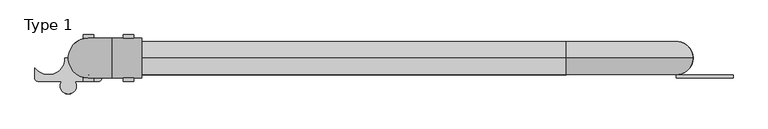
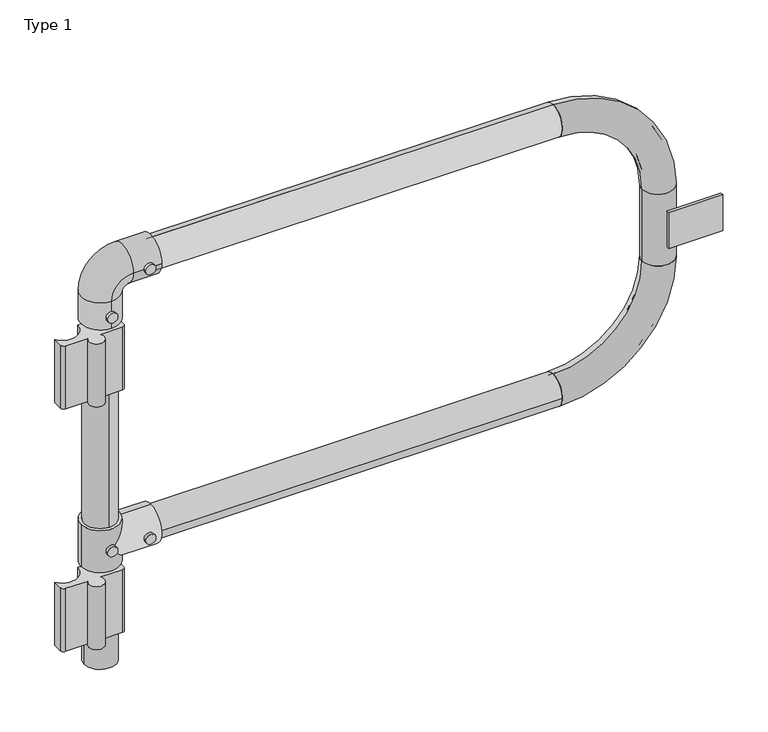
"""IFC4 building model written with IfcOpenShell, lengths in millimetres: proxy geometry, Type 1."""

from ifc_helpers import new_model, si_unit, point, frame, frame_2d, origin, origin_2d, place, context, project, spatial, polyline, circle_curve, ellipse_curve, trimmed, segment, composite_curve, outline, extrude, source, transform, mapped, element, save
from ifc_brep_helpers import plane_surface, cylinder_surface, revolved_surface, advanced_brep


def type_1_06d0548a(model_context):
    return source(origin(), model_context, "Body", "SolidModel", [
        extrude(outline(composite_curve([segment(trimmed(circle_curve(frame_2d((575.0, 0.0)), 8.0), [point((575.0, -8.0))], [point((575.0, 8.0))], False, "CARTESIAN"), True, "CONTINUOUS"), segment(trimmed(circle_curve(frame_2d((575.0, 0.0)), 8.0), [point((575.0, 8.0))], [point((575.0, -8.0))], False, "CARTESIAN"), True, "CONTINUOUS")], self_intersect=False)), frame((0.0, -35.0, 0.0), z_axis=(0.0, 1.0, 0.0), x_axis=(0.0, 0.0, 1.0)), (0.0, 0.0, 1.0), 5.0),
        extrude(outline(composite_curve([segment(trimmed(circle_curve(frame_2d((575.0, 60.0)), 8.0), [point((575.0, 52.0))], [point((575.0, 68.0))], False, "CARTESIAN"), True, "CONTINUOUS"), segment(trimmed(circle_curve(frame_2d((575.0, 60.0)), 8.0), [point((575.0, 68.0))], [point((575.0, 52.0))], False, "CARTESIAN"), True, "CONTINUOUS")], self_intersect=False)), frame((0.0, -35.0, 0.0), z_axis=(0.0, 1.0, 0.0), x_axis=(0.0, 0.0, 1.0)), (0.0, 0.0, 1.0), 5.0),
        extrude(outline(composite_curve([segment(trimmed(circle_curve(frame_2d((575.0, 0.0)), 8.0), [point((575.0, -8.0))], [point((575.0, 8.0))], False, "CARTESIAN"), True, "CONTINUOUS"), segment(trimmed(circle_curve(frame_2d((575.0, 0.0)), 8.0), [point((575.0, 8.0))], [point((575.0, -8.0))], False, "CARTESIAN"), True, "CONTINUOUS")], self_intersect=False)), frame((0.0, 30.0, 0.0), z_axis=(0.0, 1.0, 0.0), x_axis=(0.0, 0.0, 1.0)), (0.0, 0.0, 1.0), 5.0),
        extrude(outline(composite_curve([segment(trimmed(circle_curve(frame_2d((575.0, 60.0)), 8.0), [point((575.0, 52.0))], [point((575.0, 68.0))], False, "CARTESIAN"), True, "CONTINUOUS"), segment(trimmed(circle_curve(frame_2d((575.0, 60.0)), 8.0), [point((575.0, 68.0))], [point((575.0, 52.0))], False, "CARTESIAN"), True, "CONTINUOUS")], self_intersect=False)), frame((0.0, 30.0, 0.0), z_axis=(0.0, 1.0, 0.0), x_axis=(0.0, 0.0, 1.0)), (0.0, 0.0, 1.0), 5.0),
        advanced_brep(
        [(-30.0, 0.0, 610.0), (30.0, 0.0, 610.0), (0.0, 25.0, 610.0), (0.0, -25.0, 610.0), (-30.0, 0.0, 540.0), (30.0, 0.0, 540.0), (0.0, -25.0, 540.0), (0.0, 25.0, 540.0), (30.0, 0.0, 605.0), (0.0, 30.0, 575.0), (30.0, 0.0, 545.0), (0.0, -30.0, 575.0), (80.0, 0.0, 545.0), (80.0, 0.0, 605.0), (80.0, 0.0, 600.0), (80.0, 0.0, 550.0), (25.0, 0.0, 550.0), (0.0, -25.0, 575.0), (25.0, 0.0, 600.0), (0.0, 25.0, 575.0)],
        [
            (0, 1, circle_curve(frame((0.0, 0.0, 610.0), z_axis=(0.0, 0.0, 1.0), x_axis=(1.0, 0.0, 0.0)), 30.0)),
            (1, 0, circle_curve(frame((0.0, 0.0, 610.0), z_axis=(0.0, 0.0, 1.0), x_axis=(1.0, 0.0, 0.0)), 30.0)),
            (2, 3, circle_curve(frame((0.0, 0.0, 610.0), z_axis=(0.0, 0.0, -1.0), x_axis=(0.0, -1.0, 0.0)), 25.0)),
            (3, 2, circle_curve(frame((0.0, 0.0, 610.0), z_axis=(0.0, 0.0, -1.0), x_axis=(0.0, -1.0, 0.0)), 25.0)),
            (4, 5, circle_curve(frame((0.0, 0.0, 540.0), z_axis=(0.0, 0.0, -1.0), x_axis=(1.0, 0.0, 0.0)), 30.0)),
            (5, 4, circle_curve(frame((0.0, 0.0, 540.0), z_axis=(0.0, 0.0, -1.0), x_axis=(1.0, 0.0, 0.0)), 30.0)),
            (6, 7, circle_curve(frame((0.0, 0.0, 540.0), z_axis=(0.0, 0.0, 1.0), x_axis=(0.0, -1.0, 0.0)), 25.0)),
            (7, 6, circle_curve(frame((0.0, 0.0, 540.0), z_axis=(0.0, 0.0, 1.0), x_axis=(0.0, -1.0, 0.0)), 25.0)),
            (1, 8),
            (8, 9, ellipse_curve(frame((0.0, 0.0, 575.0), z_axis=(-0.7071067811865447, 0.0, 0.7071067811865503), x_axis=(0.7071067811865503, 0.0, 0.7071067811865447)), 42.4264069, 30.0)),
            (9, 10, ellipse_curve(frame((0.0, 0.0, 575.0), z_axis=(-0.7071067811865503, 0.0, -0.7071067811865447), x_axis=(-0.7071067811865447, 0.0, 0.7071067811865503)), 42.4264069, 30.0)),
            (10, 5),
            (4, 0),
            (10, 11, ellipse_curve(frame((0.0, 0.0, 575.0), z_axis=(-0.7071067811865503, 0.0, -0.7071067811865447), x_axis=(-0.7071067811865447, 0.0, 0.7071067811865503)), 42.4264069, 30.0)),
            (11, 8, ellipse_curve(frame((0.0, 0.0, 575.0), z_axis=(-0.7071067811865447, 0.0, 0.7071067811865503), x_axis=(0.7071067811865503, 0.0, 0.7071067811865447)), 42.4264069, 30.0)),
            (12, 13, circle_curve(frame((80.0, 0.0, 575.0), z_axis=(1.0, 0.0, 0.0), x_axis=(0.0, 0.0, 1.0)), 30.0)),
            (13, 12, circle_curve(frame((80.0, 0.0, 575.0), z_axis=(1.0, 0.0, 0.0), x_axis=(0.0, 0.0, 1.0)), 30.0)),
            (14, 15, circle_curve(frame((80.0, 0.0, 575.0), z_axis=(-1.0, 0.0, 0.0), x_axis=(0.0, 0.0, -1.0)), 25.0)),
            (15, 14, circle_curve(frame((80.0, 0.0, 575.0), z_axis=(-1.0, 0.0, 0.0), x_axis=(0.0, 0.0, -1.0)), 25.0)),
            (13, 8),
            (10, 12),
            (15, 16),
            (16, 17, ellipse_curve(frame((0.0, 0.0, 575.0), z_axis=(-0.7071067811865503, 0.0, -0.7071067811865447), x_axis=(-0.7071067811865447, 0.0, 0.7071067811865503)), 35.3553391, 25.0)),
            (17, 18, ellipse_curve(frame((0.0, 0.0, 575.0), z_axis=(-0.7071067811865447, 0.0, 0.7071067811865503), x_axis=(-0.7071067811865503, 0.0, -0.7071067811865447)), 35.3553391, 25.0)),
            (18, 14),
            (18, 19, ellipse_curve(frame((0.0, 0.0, 575.0), z_axis=(-0.7071067811865447, 0.0, 0.7071067811865503), x_axis=(-0.7071067811865503, 0.0, -0.7071067811865447)), 35.3553391, 25.0)),
            (19, 16, ellipse_curve(frame((0.0, 0.0, 575.0), z_axis=(-0.7071067811865503, 0.0, -0.7071067811865447), x_axis=(-0.7071067811865447, 0.0, 0.7071067811865503)), 35.3553391, 25.0)),
            (3, 17),
            (17, 6),
            (7, 19),
            (19, 2),
        ],
        [
            plane_surface(frame((30.0, 0.0, 610.0), z_axis=(0.0, 0.0, 1.0), x_axis=(0.0, -1.0, 0.0))),
            plane_surface(frame((30.0, 0.0, 540.0), z_axis=(0.0, 0.0, -1.0), x_axis=(0.0, 1.0, 0.0))),
            cylinder_surface(frame((0.0, 0.0, 540.0), z_axis=(0.0, 0.0, 1.0), x_axis=(1.0, 0.0, 0.0)), 30.0),
            plane_surface(frame((80.0, 0.0, 605.0), z_axis=(1.0, 0.0, 0.0), x_axis=(0.0, 1.0, 0.0))),
            cylinder_surface(frame((0.0, 0.0, 575.0), z_axis=(1.0, 0.0, 0.0), x_axis=(0.0, 0.0, 1.0)), 30.0),
            revolved_surface(polyline([(-25.000000028759985, 0.0, 550.0), (80.0, 0.0, 550.0)]), (80.0, 0.0, 575.0), (-1.0, 0.0, 0.0)),
            revolved_surface(polyline([(0.0, -25.0, 540.0), (0.0, -25.0, 610.0)]), (0.0, 0.0, 610.0), (0.0, 0.0, -1.0)),
            revolved_surface(polyline([(0.0, -25.0, 540.0), (0.0, -25.0, 600.00000002876)]), (0.0, 0.0, 610.0), (0.0, 0.0, -1.0)),
            revolved_surface(polyline([(0.0, -25.0, 549.9999999712402), (0.0, -25.0, 610.0)]), (0.0, 0.0, 610.0), (0.0, 0.0, -1.0)),
        ],
        [
            (0, [[1, 2], [3, 4]]),
            (1, [[5, 6], [7, 8]]),
            (2, [[9, 10, 11, 12, -5, 13, -2]]),
            (2, [[-13, -6, -12, 14, 15, -9, -1]]),
            (3, [[16, 17], [18, 19]]),
            (4, [[20, -15, -14, 21, -17]]),
            (4, [[-21, -11, -10, -20, -16]]),
            (5, [[22, 23, 24, 25, -19]]),
            (5, [[-25, 26, 27, -22, -18]]),
            (6, [[-4, 28, 29, -8, 30, 31]]),
            (7, [[-7, -29, -23, -27, -30]]),
            (8, [[-26, -24, -28, -3, -31]]),
        ],
    ),
        extrude(outline(composite_curve([segment(trimmed(circle_curve(frame_2d((1025.0, 60.0)), 8.0), [point((1025.0, 52.0))], [point((1025.0, 68.0))], False, "CARTESIAN"), True, "CONTINUOUS"), segment(trimmed(circle_curve(frame_2d((1025.0, 60.0)), 8.0), [point((1025.0, 68.0))], [point((1025.0, 52.0))], False, "CARTESIAN"), True, "CONTINUOUS")], self_intersect=False)), frame((0.0, 30.0, 0.0), z_axis=(0.0, 1.0, 0.0), x_axis=(0.0, 0.0, 1.0)), (0.0, 0.0, 1.0), 5.0),
        extrude(outline(composite_curve([segment(trimmed(circle_curve(frame_2d((965.0, 0.0)), 8.0), [point((965.0, -8.0))], [point((965.0, 8.0))], False, "CARTESIAN"), True, "CONTINUOUS"), segment(trimmed(circle_curve(frame_2d((965.0, 0.0)), 8.0), [point((965.0, 8.0))], [point((965.0, -8.0))], False, "CARTESIAN"), True, "CONTINUOUS")], self_intersect=False)), frame((0.0, 30.0, 0.0), z_axis=(0.0, 1.0, 0.0), x_axis=(0.0, 0.0, 1.0)), (0.0, 0.0, 1.0), 5.0),
        extrude(outline(composite_curve([segment(trimmed(circle_curve(frame_2d((1025.0, 60.0)), 8.0), [point((1025.0, 52.0))], [point((1025.0, 68.0))], False, "CARTESIAN"), True, "CONTINUOUS"), segment(trimmed(circle_curve(frame_2d((1025.0, 60.0)), 8.0), [point((1025.0, 68.0))], [point((1025.0, 52.0))], False, "CARTESIAN"), True, "CONTINUOUS")], self_intersect=False)), frame((0.0, -35.0, 0.0), z_axis=(0.0, 1.0, 0.0), x_axis=(0.0, 0.0, 1.0)), (0.0, 0.0, 1.0), 5.0),
        extrude(outline(composite_curve([segment(trimmed(circle_curve(frame_2d((965.0, 0.0)), 8.0), [point((965.0, -8.0))], [point((965.0, 8.0))], False, "CARTESIAN"), True, "CONTINUOUS"), segment(trimmed(circle_curve(frame_2d((965.0, 0.0)), 8.0), [point((965.0, 8.0))], [point((965.0, -8.0))], False, "CARTESIAN"), True, "CONTINUOUS")], self_intersect=False)), frame((0.0, -35.0, 0.0), z_axis=(0.0, 1.0, 0.0), x_axis=(0.0, 0.0, 1.0)), (0.0, 0.0, 1.0), 5.0),
        advanced_brep(
        [(0.0, -30.0, 945.0), (0.0, 30.0, 945.0), (0.0, -25.0, 945.0), (0.0, 25.0, 945.0), (0.0, -30.0, 990.0), (0.0, 30.0, 990.0), (35.0, 30.0, 1025.0), (35.0, -30.0, 1025.0), (80.0, -30.0, 1025.0), (80.0, 30.0, 1025.0), (80.0, -25.0, 1025.0), (80.0, 25.0, 1025.0), (0.0, -25.0, 990.0), (0.0, 25.0, 990.0), (35.0, 25.0, 1025.0), (35.0, -25.0, 1025.0)],
        [
            (0, 1, circle_curve(frame((0.0, 0.0, 945.0), z_axis=(0.0, 0.0, -1.0), x_axis=(0.0, 1.0, 0.0)), 30.0)),
            (1, 0, circle_curve(frame((0.0, 0.0, 945.0), z_axis=(0.0, 0.0, -1.0), x_axis=(0.0, 1.0, 0.0)), 30.0)),
            (2, 3, circle_curve(frame((0.0, 0.0, 945.0), z_axis=(0.0, 0.0, 1.0), x_axis=(0.0, 1.0, 0.0)), 25.0)),
            (3, 2, circle_curve(frame((0.0, 0.0, 945.0), z_axis=(0.0, 0.0, 1.0), x_axis=(0.0, 1.0, 0.0)), 25.0)),
            (0, 4),
            (4, 5, circle_curve(frame((0.0, 0.0, 990.0), z_axis=(0.0, 0.0, -1.0), x_axis=(0.0, 1.0, 0.0)), 30.0)),
            (5, 1),
            (5, 4, circle_curve(frame((0.0, 0.0, 990.0), z_axis=(0.0, 0.0, -1.0), x_axis=(0.0, 1.0, 0.0)), 30.0)),
            (6, 5, circle_curve(frame((35.0, 30.0, 990.0), z_axis=(0.0, -1.0, 0.0), x_axis=(-1.0, 0.0, 0.0)), 35.0)),
            (4, 7, circle_curve(frame((35.0, -30.0, 990.0), z_axis=(0.0, 1.0, 0.0), x_axis=(-1.0, 0.0, 0.0)), 35.0)),
            (7, 6, circle_curve(frame((35.0, 0.0, 1025.0), z_axis=(-1.0, 0.0, 0.0), x_axis=(0.0, 1.0, 0.0)), 30.0)),
            (6, 7, circle_curve(frame((35.0, 0.0, 1025.0), z_axis=(-1.0, 0.0, 0.0), x_axis=(0.0, 1.0, 0.0)), 30.0)),
            (8, 9, circle_curve(frame((80.0, 0.0, 1025.0), z_axis=(1.0, 0.0, 0.0), x_axis=(0.0, 1.0, 0.0)), 30.0)),
            (9, 8, circle_curve(frame((80.0, 0.0, 1025.0), z_axis=(1.0, 0.0, 0.0), x_axis=(0.0, 1.0, 0.0)), 30.0)),
            (10, 11, circle_curve(frame((80.0, 0.0, 1025.0), z_axis=(-1.0, 0.0, 0.0), x_axis=(0.0, 1.0, 0.0)), 25.0)),
            (11, 10, circle_curve(frame((80.0, 0.0, 1025.0), z_axis=(-1.0, 0.0, 0.0), x_axis=(0.0, 1.0, 0.0)), 25.0)),
            (7, 8),
            (9, 6),
            (2, 12),
            (12, 13, circle_curve(frame((0.0, 0.0, 990.0), z_axis=(0.0, 0.0, 1.0), x_axis=(0.0, 1.0, 0.0)), 25.0)),
            (13, 3),
            (13, 12, circle_curve(frame((0.0, 0.0, 990.0), z_axis=(0.0, 0.0, 1.0), x_axis=(0.0, 1.0, 0.0)), 25.0)),
            (14, 13, circle_curve(frame((35.0, 25.0, 990.0), z_axis=(0.0, -1.0, 0.0), x_axis=(-1.0, 0.0, 0.0)), 35.0)),
            (12, 15, circle_curve(frame((35.0, -25.0, 990.0), z_axis=(0.0, 1.0, 0.0), x_axis=(-1.0, 0.0, 0.0)), 35.0)),
            (15, 14, circle_curve(frame((35.0, 0.0, 1025.0), z_axis=(1.0, 0.0, 0.0), x_axis=(0.0, 1.0, 0.0)), 25.0)),
            (14, 15, circle_curve(frame((35.0, 0.0, 1025.0), z_axis=(1.0, 0.0, 0.0), x_axis=(0.0, 1.0, 0.0)), 25.0)),
            (15, 10),
            (11, 14),
        ],
        [
            plane_surface(frame((30.0, 0.0, 945.0), z_axis=(0.0, 0.0, -1.0), x_axis=(0.0, -1.0, 0.0))),
            cylinder_surface(frame((0.0, 0.0, 945.0), z_axis=(0.0, 0.0, -1.0), x_axis=(0.0, 1.0, 0.0)), 30.0),
            revolved_surface(trimmed(ellipse_curve(frame((0.0, 0.0, 990.0), z_axis=(0.0, 0.0, -1.0), x_axis=(0.0, 1.0, 0.0)), 30.0, 30.0), [point((0.0, -30.0, 990.0))], [point((0.0, 30.0, 990.0))], True, "CARTESIAN"), (35.0, 0.0, 990.0), (0.0, 1.0, 0.0)),
            revolved_surface(trimmed(ellipse_curve(frame((0.0, 0.0, 990.0), z_axis=(0.0, 0.0, -1.0), x_axis=(0.0, 1.0, 0.0)), 30.0, 30.0), [point((0.0, 30.0, 990.0))], [point((0.0, -30.0, 990.0))], True, "CARTESIAN"), (35.0, 0.0, 990.0), (0.0, 1.0, 0.0)),
            plane_surface(frame((80.0, 0.0, 995.0), z_axis=(1.0, 0.0, 0.0), x_axis=(0.0, -1.0, 0.0))),
            cylinder_surface(frame((35.0, 0.0, 1025.0), z_axis=(-1.0, 0.0, 0.0), x_axis=(0.0, 1.0, 0.0)), 30.0),
            revolved_surface(polyline([(0.0, 25.0, 990.0), (0.0, 25.0, 945.0)]), (0.0, 0.0, 945.0), (0.0, 0.0, 1.0)),
            revolved_surface(trimmed(ellipse_curve(frame((0.0, 0.0, 990.0), z_axis=(0.0, 0.0, 1.0), x_axis=(0.0, 1.0, 0.0)), 25.0, 25.0), [point((0.0, -25.0, 990.0))], [point((0.0, 25.0, 990.0))], True, "CARTESIAN"), (35.0, 0.0, 990.0), (0.0, 1.0, 0.0)),
            revolved_surface(trimmed(ellipse_curve(frame((0.0, 0.0, 990.0), z_axis=(0.0, 0.0, 1.0), x_axis=(0.0, 1.0, 0.0)), 25.0, 25.0), [point((0.0, 25.0, 990.0))], [point((0.0, -25.0, 990.0))], True, "CARTESIAN"), (35.0, 0.0, 990.0), (0.0, 1.0, 0.0)),
            revolved_surface(polyline([(80.0, 25.0, 1025.0), (35.0, 25.0, 1025.0)]), (35.0, 0.0, 1025.0), (1.0, 0.0, 0.0)),
        ],
        [
            (0, [[1, 2], [3, 4]]),
            (1, [[-1, 5, 6, 7]]),
            (1, [[-2, -7, 8, -5]]),
            (2, [[9, -6, 10, 11]]),
            (3, [[-10, -8, -9, 12]]),
            (4, [[13, 14], [15, 16]]),
            (5, [[-11, 17, -14, 18]]),
            (5, [[-12, -18, -13, -17]]),
            (6, [[-3, 19, 20, 21]]),
            (6, [[-4, -21, 22, -19]]),
            (7, [[23, -20, 24, 25]]),
            (8, [[-24, -22, -23, 26]]),
            (9, [[-25, 27, -16, 28]]),
            (9, [[-26, -28, -15, -27]]),
        ],
    ),
        extrude(outline(composite_curve([segment(polyline([(20.0, -15.0), (20.0, -30.0)]), True, "CONTINUOUS"), segment(trimmed(circle_curve(frame_2d((15.0, -30.0)), 5.0), [point((20.0, -30.0))], [point((15.0, -35.0))], False, "CARTESIAN"), True, "CONTINUOUS"), segment(polyline([(15.0, -35.0), (-20.2532057, -35.0)]), True, "CONTINUOUS"), segment(trimmed(circle_curve(frame_2d((-30.0, -42.0)), 12.0), [point((-20.2532057, -35.0))], [point((-39.7467943, -35.0))], False, "CARTESIAN"), True, "CONTINUOUS"), segment(polyline([(-39.7467943, -35.0), (-75.0, -35.0)]), True, "CONTINUOUS"), segment(trimmed(circle_curve(frame_2d((-75.0, -30.0)), 5.0), [point((-75.0, -35.0))], [point((-80.0, -30.0))], False, "CARTESIAN"), True, "CONTINUOUS"), segment(polyline([(-80.0, -30.0), (-80.0, -15.0)]), True, "CONTINUOUS"), segment(trimmed(circle_curve(frame_2d((-60.0, 0.0)), 25.0), [point((-80.0, -15.0))], [point((-35.0, 0.0))], True, "CARTESIAN"), True, "CONTINUOUS"), segment(polyline([(-35.0, 0.0), (-25.0, 0.0)]), True, "CONTINUOUS"), segment(trimmed(circle_curve(origin_2d(), 25.0), [point((-25.0, 0.0))], [point((0.0, -25.0))], True, "CARTESIAN"), True, "CONTINUOUS"), segment(trimmed(circle_curve(origin_2d(), 25.0), [point((0.0, -25.0))], [point((20.0, -15.0))], True, "CARTESIAN"), True, "CONTINUOUS")], self_intersect=False)), frame((0.0, 0.0, 840.0), z_axis=(0.0, 0.0, 1.0), x_axis=(1.0, 0.0, 0.0)), (0.0, 0.0, 1.0), 105.0),
        extrude(outline(composite_curve([segment(trimmed(circle_curve(origin_2d(), 25.0), [point((0.0, -25.0))], [point((20.0, -15.0))], True, "CARTESIAN"), True, "CONTINUOUS"), segment(polyline([(20.0, -15.0), (20.0, -30.0)]), True, "CONTINUOUS"), segment(trimmed(circle_curve(frame_2d((15.0, -30.0)), 5.0), [point((20.0, -30.0))], [point((15.0, -35.0))], False, "CARTESIAN"), True, "CONTINUOUS"), segment(polyline([(15.0, -35.0), (-20.2532057, -35.0)]), True, "CONTINUOUS"), segment(trimmed(circle_curve(frame_2d((-30.0, -42.0)), 12.0), [point((-20.2532057, -35.0))], [point((-39.7467943, -35.0))], False, "CARTESIAN"), True, "CONTINUOUS"), segment(polyline([(-39.7467943, -35.0), (-75.0, -35.0)]), True, "CONTINUOUS"), segment(trimmed(circle_curve(frame_2d((-75.0, -30.0)), 5.0), [point((-75.0, -35.0))], [point((-80.0, -30.0))], False, "CARTESIAN"), True, "CONTINUOUS"), segment(polyline([(-80.0, -30.0), (-80.0, -15.0)]), True, "CONTINUOUS"), segment(trimmed(circle_curve(frame_2d((-60.0, 0.0)), 25.0), [point((-80.0, -15.0))], [point((-35.0, 0.0))], True, "CARTESIAN"), True, "CONTINUOUS"), segment(polyline([(-35.0, 0.0), (-25.0, 0.0)]), True, "CONTINUOUS"), segment(trimmed(circle_curve(origin_2d(), 25.0), [point((-25.0, 0.0))], [point((0.0, -25.0))], True, "CARTESIAN"), True, "CONTINUOUS")], self_intersect=False)), frame((0.0, 0.0, 435.0), z_axis=(0.0, 0.0, 1.0), x_axis=(1.0, 0.0, 0.0)), (0.0, 0.0, 1.0), 105.0),
        extrude(outline(polyline([(965.0, -25.0), (965.0, -30.0), (880.0, -30.0), (880.0, -25.0), (965.0, -25.0)])), frame((0.0, 0.0, 770.0), z_axis=(0.0, 0.0, 1.0), x_axis=(1.0, 0.0, 0.0)), (0.0, 0.0, 1.0), 60.0),
        advanced_brep(
        [(715.0, 0.0, 550.0), (715.0, 0.0, 600.0), (715.0, 0.0, 555.0), (715.0, 0.0, 595.0), (905.0, 0.0, 740.0), (855.0, 0.0, 740.0), (900.0, 0.0, 740.0), (860.0, 0.0, 740.0)],
        [
            (0, 1, circle_curve(frame((715.0, 0.0, 575.0), z_axis=(-1.0, 0.0, 0.0), x_axis=(0.0, 0.0, 1.0)), 25.0)),
            (1, 0, circle_curve(frame((715.0, 0.0, 575.0), z_axis=(-1.0, 0.0, 0.0), x_axis=(0.0, 0.0, 1.0)), 25.0)),
            (2, 3, circle_curve(frame((715.0, 0.0, 575.0), z_axis=(1.0, 0.0, 0.0), x_axis=(0.0, 0.0, 1.0)), 20.0)),
            (3, 2, circle_curve(frame((715.0, 0.0, 575.0), z_axis=(1.0, 0.0, 0.0), x_axis=(0.0, 0.0, 1.0)), 20.0)),
            (4, 5, circle_curve(frame((880.0, 0.0, 740.0), z_axis=(0.0, 0.0, 1.0), x_axis=(-1.0, 0.0, 0.0)), 25.0)),
            (5, 4, circle_curve(frame((880.0, 0.0, 740.0), z_axis=(0.0, 0.0, 1.0), x_axis=(-1.0, 0.0, 0.0)), 25.0)),
            (6, 7, circle_curve(frame((880.0, 0.0, 740.0), z_axis=(0.0, 0.0, -1.0), x_axis=(-1.0, 0.0, 0.0)), 20.0)),
            (7, 6, circle_curve(frame((880.0, 0.0, 740.0), z_axis=(0.0, 0.0, -1.0), x_axis=(-1.0, 0.0, 0.0)), 20.0)),
            (5, 1, circle_curve(frame((715.0, 0.0, 740.0), z_axis=(0.0, 1.0, 0.0), x_axis=(0.0, 0.0, -1.0)), 140.0)),
            (0, 4, circle_curve(frame((715.0, 0.0, 740.0), z_axis=(0.0, -1.0, 0.0), x_axis=(0.0, 0.0, -1.0)), 190.0)),
            (7, 3, circle_curve(frame((715.0, 0.0, 740.0), z_axis=(0.0, 1.0, 0.0), x_axis=(0.0, 0.0, -1.0)), 145.0)),
            (2, 6, circle_curve(frame((715.0, 0.0, 740.0), z_axis=(0.0, -1.0, 0.0), x_axis=(0.0, 0.0, -1.0)), 185.0)),
        ],
        [
            plane_surface(frame((715.0, 0.0, 575.0), z_axis=(-1.0, 0.0, 0.0), x_axis=(0.0, -1.0, 0.0))),
            plane_surface(frame((880.0, 0.0, 740.0), z_axis=(0.0, 0.0, 1.0), x_axis=(0.0, -1.0, 0.0))),
            revolved_surface(trimmed(ellipse_curve(frame((715.0, 0.0, 575.0), z_axis=(-1.0, 0.0, 0.0), x_axis=(0.0, 0.0, 1.0)), 25.0, 25.0), [point((715.0, 0.0, 550.0))], [point((715.0, 0.0, 600.0))], True, "CARTESIAN"), (715.0, 0.0, 740.0), (0.0, -1.0, 0.0)),
            revolved_surface(trimmed(ellipse_curve(frame((715.0, 0.0, 575.0), z_axis=(-1.0, 0.0, 0.0), x_axis=(0.0, 0.0, 1.0)), 25.0, 25.0), [point((715.0, 0.0, 600.0))], [point((715.0, 0.0, 550.0))], True, "CARTESIAN"), (715.0, 0.0, 740.0), (0.0, -1.0, 0.0)),
            revolved_surface(trimmed(ellipse_curve(frame((715.0, 0.0, 575.0), z_axis=(1.0, 0.0, 0.0), x_axis=(0.0, 0.0, 1.0)), 20.0, 20.0), [point((715.0, 0.0, 555.0))], [point((715.0, 0.0, 595.0))], True, "CARTESIAN"), (715.0, 0.0, 740.0), (0.0, -1.0, 0.0)),
            revolved_surface(trimmed(ellipse_curve(frame((715.0, 0.0, 575.0), z_axis=(1.0, 0.0, 0.0), x_axis=(0.0, 0.0, 1.0)), 20.0, 20.0), [point((715.0, 0.0, 595.0))], [point((715.0, 0.0, 555.0))], True, "CARTESIAN"), (715.0, 0.0, 740.0), (0.0, -1.0, 0.0)),
        ],
        [
            (0, [[1, 2], [3, 4]]),
            (1, [[5, 6], [7, 8]]),
            (2, [[9, -1, 10, -6]]),
            (3, [[-10, -2, -9, -5]]),
            (4, [[11, -3, 12, -8]]),
            (5, [[-12, -4, -11, -7]]),
        ],
    ),
        advanced_brep(
        [(715.0, 0.0, 1000.0), (715.0, 0.0, 1050.0), (715.0, 0.0, 1005.0), (715.0, 0.0, 1045.0), (855.0, 0.0, 860.0), (905.0, 0.0, 860.0), (860.0, 0.0, 860.0), (900.0, 0.0, 860.0)],
        [
            (0, 1, circle_curve(frame((715.0, 0.0, 1025.0), z_axis=(-1.0, 0.0, 0.0), x_axis=(0.0, 0.0, 1.0)), 25.0)),
            (1, 0, circle_curve(frame((715.0, 0.0, 1025.0), z_axis=(-1.0, 0.0, 0.0), x_axis=(0.0, 0.0, 1.0)), 25.0)),
            (2, 3, circle_curve(frame((715.0, 0.0, 1025.0), z_axis=(1.0, 0.0, 0.0), x_axis=(0.0, 0.0, 1.0)), 20.0)),
            (3, 2, circle_curve(frame((715.0, 0.0, 1025.0), z_axis=(1.0, 0.0, 0.0), x_axis=(0.0, 0.0, 1.0)), 20.0)),
            (4, 5, circle_curve(frame((880.0, 0.0, 860.0), z_axis=(0.0, 0.0, -1.0), x_axis=(1.0, 0.0, 0.0)), 25.0)),
            (5, 4, circle_curve(frame((880.0, 0.0, 860.0), z_axis=(0.0, 0.0, -1.0), x_axis=(1.0, 0.0, 0.0)), 25.0)),
            (6, 7, circle_curve(frame((880.0, 0.0, 860.0), z_axis=(0.0, 0.0, 1.0), x_axis=(1.0, 0.0, 0.0)), 20.0)),
            (7, 6, circle_curve(frame((880.0, 0.0, 860.0), z_axis=(0.0, 0.0, 1.0), x_axis=(1.0, 0.0, 0.0)), 20.0)),
            (5, 1, circle_curve(frame((715.0, 0.0, 860.0), z_axis=(0.0, -1.0, 0.0), x_axis=(0.0, 0.0, 1.0)), 190.0)),
            (0, 4, circle_curve(frame((715.0, 0.0, 860.0), z_axis=(0.0, 1.0, 0.0), x_axis=(0.0, 0.0, 1.0)), 140.0)),
            (7, 3, circle_curve(frame((715.0, 0.0, 860.0), z_axis=(0.0, -1.0, 0.0), x_axis=(0.0, 0.0, 1.0)), 185.0)),
            (2, 6, circle_curve(frame((715.0, 0.0, 860.0), z_axis=(0.0, 1.0, 0.0), x_axis=(0.0, 0.0, 1.0)), 145.0)),
        ],
        [
            plane_surface(frame((715.0, 0.0, 1025.0), z_axis=(-1.0, 0.0, 0.0), x_axis=(0.0, -1.0, 0.0))),
            plane_surface(frame((880.0, 0.0, 860.0), z_axis=(0.0, 0.0, -1.0), x_axis=(0.0, -1.0, 0.0))),
            revolved_surface(trimmed(ellipse_curve(frame((715.0, 0.0, 1025.0), z_axis=(-1.0, 0.0, 0.0), x_axis=(0.0, 0.0, 1.0)), 25.0, 25.0), [point((715.0, 0.0, 1000.0))], [point((715.0, 0.0, 1050.0))], True, "CARTESIAN"), (715.0, 0.0, 860.0), (0.0, 1.0, 0.0)),
            revolved_surface(trimmed(ellipse_curve(frame((715.0, 0.0, 1025.0), z_axis=(-1.0, 0.0, 0.0), x_axis=(0.0, 0.0, 1.0)), 25.0, 25.0), [point((715.0, 0.0, 1050.0))], [point((715.0, 0.0, 1000.0))], True, "CARTESIAN"), (715.0, 0.0, 860.0), (0.0, 1.0, 0.0)),
            revolved_surface(trimmed(ellipse_curve(frame((715.0, 0.0, 1025.0), z_axis=(1.0, 0.0, 0.0), x_axis=(0.0, 0.0, 1.0)), 20.0, 20.0), [point((715.0, 0.0, 1005.0))], [point((715.0, 0.0, 1045.0))], True, "CARTESIAN"), (715.0, 0.0, 860.0), (0.0, 1.0, 0.0)),
            revolved_surface(trimmed(ellipse_curve(frame((715.0, 0.0, 1025.0), z_axis=(1.0, 0.0, 0.0), x_axis=(0.0, 0.0, 1.0)), 20.0, 20.0), [point((715.0, 0.0, 1045.0))], [point((715.0, 0.0, 1005.0))], True, "CARTESIAN"), (715.0, 0.0, 860.0), (0.0, 1.0, 0.0)),
        ],
        [
            (0, [[1, 2], [3, 4]]),
            (1, [[5, 6], [7, 8]]),
            (2, [[9, -1, 10, -6]]),
            (3, [[-10, -2, -9, -5]]),
            (4, [[11, -3, 12, -8]]),
            (5, [[-12, -4, -11, -7]]),
        ],
    ),
        extrude(outline(composite_curve([segment(trimmed(circle_curve(frame_2d((880.0, 0.0)), 25.0), [point((905.0, 0.0))], [point((855.0, 0.0))], False, "CARTESIAN"), True, "CONTINUOUS"), segment(trimmed(circle_curve(frame_2d((880.0, 0.0)), 25.0), [point((855.0, 0.0))], [point((905.0, 0.0))], False, "CARTESIAN"), True, "CONTINUOUS")], self_intersect=False), holes=[composite_curve([segment(trimmed(circle_curve(frame_2d((880.0, 0.0)), 20.0), [point((900.0, 0.0))], [point((860.0, 0.0))], True, "CARTESIAN"), True, "CONTINUOUS"), segment(trimmed(circle_curve(frame_2d((880.0, 0.0)), 20.0), [point((860.0, 0.0))], [point((900.0, 0.0))], True, "CARTESIAN"), True, "CONTINUOUS")], self_intersect=False)]), frame((0.0, 0.0, 740.0), z_axis=(0.0, 0.0, 1.0), x_axis=(1.0, 0.0, 0.0)), (0.0, 0.0, 1.0), 120.0),
        extrude(outline(composite_curve([segment(trimmed(circle_curve(frame_2d((0.0, 575.0)), 25.0), [point((-25.0, 575.0))], [point((25.0, 575.0))], False, "CARTESIAN"), True, "CONTINUOUS"), segment(trimmed(circle_curve(frame_2d((0.0, 575.0)), 25.0), [point((25.0, 575.0))], [point((-25.0, 575.0))], False, "CARTESIAN"), True, "CONTINUOUS")], self_intersect=False), holes=[composite_curve([segment(trimmed(circle_curve(frame_2d((0.0, 575.0)), 20.0), [point((-20.0, 575.0))], [point((20.0, 575.0))], True, "CARTESIAN"), True, "CONTINUOUS"), segment(trimmed(circle_curve(frame_2d((0.0, 575.0)), 20.0), [point((20.0, 575.0))], [point((-20.0, 575.0))], True, "CARTESIAN"), True, "CONTINUOUS")], self_intersect=False)]), frame((80.0, 0.0, 0.0), z_axis=(1.0, 0.0, 0.0), x_axis=(0.0, 1.0, 0.0)), (0.0, 0.0, 1.0), 635.0),
        extrude(outline(composite_curve([segment(trimmed(circle_curve(frame_2d((0.0, 1025.0)), 25.0), [point((0.0, 1050.0))], [point((0.0, 1000.0))], False, "CARTESIAN"), True, "CONTINUOUS"), segment(trimmed(circle_curve(frame_2d((0.0, 1025.0)), 25.0), [point((0.0, 1000.0))], [point((0.0, 1050.0))], False, "CARTESIAN"), True, "CONTINUOUS")], self_intersect=False), holes=[composite_curve([segment(trimmed(circle_curve(frame_2d((0.0, 1025.0)), 20.0), [point((0.0, 1045.0))], [point((0.0, 1005.0))], True, "CARTESIAN"), True, "CONTINUOUS"), segment(trimmed(circle_curve(frame_2d((0.0, 1025.0)), 20.0), [point((0.0, 1005.0))], [point((0.0, 1045.0))], True, "CARTESIAN"), True, "CONTINUOUS")], self_intersect=False)]), frame((80.0, 0.0, 0.0), z_axis=(1.0, 0.0, 0.0), x_axis=(0.0, 1.0, 0.0)), (0.0, 0.0, 1.0), 635.0),
        extrude(outline(composite_curve([segment(trimmed(circle_curve(origin_2d(), 25.0), [point((0.0, -25.0))], [point((0.0, 25.0))], False, "CARTESIAN"), True, "CONTINUOUS"), segment(trimmed(circle_curve(origin_2d(), 25.0), [point((0.0, 25.0))], [point((0.0, -25.0))], False, "CARTESIAN"), True, "CONTINUOUS")], self_intersect=False), holes=[composite_curve([segment(trimmed(circle_curve(origin_2d(), 20.0), [point((0.0, -20.0))], [point((0.0, 20.0))], True, "CARTESIAN"), True, "CONTINUOUS"), segment(trimmed(circle_curve(origin_2d(), 20.0), [point((0.0, 20.0))], [point((0.0, -20.0))], True, "CARTESIAN"), True, "CONTINUOUS")], self_intersect=False)]), frame((0.0, 0.0, 610.0), z_axis=(0.0, 0.0, 1.0), x_axis=(1.0, 0.0, 0.0)), (0.0, 0.0, 1.0), 335.0),
        extrude(outline(composite_curve([segment(trimmed(circle_curve(origin_2d(), 25.0), [point((25.0, 0.0))], [point((-25.0, 0.0))], False, "CARTESIAN"), True, "CONTINUOUS"), segment(trimmed(circle_curve(origin_2d(), 25.0), [point((-25.0, 0.0))], [point((25.0, 0.0))], False, "CARTESIAN"), True, "CONTINUOUS")], self_intersect=False), holes=[composite_curve([segment(trimmed(circle_curve(origin_2d(), 20.0), [point((20.0, 0.0))], [point((-20.0, 0.0))], True, "CARTESIAN"), True, "CONTINUOUS"), segment(trimmed(circle_curve(origin_2d(), 20.0), [point((-20.0, 0.0))], [point((20.0, 0.0))], True, "CARTESIAN"), True, "CONTINUOUS")], self_intersect=False)]), frame((0.0, 0.0, 375.0), z_axis=(0.0, 0.0, 1.0), x_axis=(1.0, 0.0, 0.0)), (0.0, 0.0, 1.0), 165.0),
    ])


if __name__ == "__main__":
    model = new_model("IFC4")
    model_context = context("Model", 3, world=origin())
    ifc_project = project(units=[si_unit("LENGTHUNIT", "METRE", prefix="MILLI")], contexts=[model_context])
    site = spatial("IfcSite", under=ifc_project)
    building = spatial("IfcBuilding", under=site)
    placement = place(None, origin())
    type_1_shape = type_1_06d0548a(model_context)
    element("IfcBuildingElementProxy", 1, Name="Type 1", ObjectType="Type 1", at=placement, inside=building, context=model_context, shape_type="MappedRepresentation", body=[
        mapped(type_1_shape, transform((0.0, 0.0, 0.0), x_axis=(1.0, 0.0, 0.0), y_axis=(0.0, 1.0, 0.0), z_axis=(0.0, 0.0, 1.0))),
    ])
    save(model, "model.ifc")
